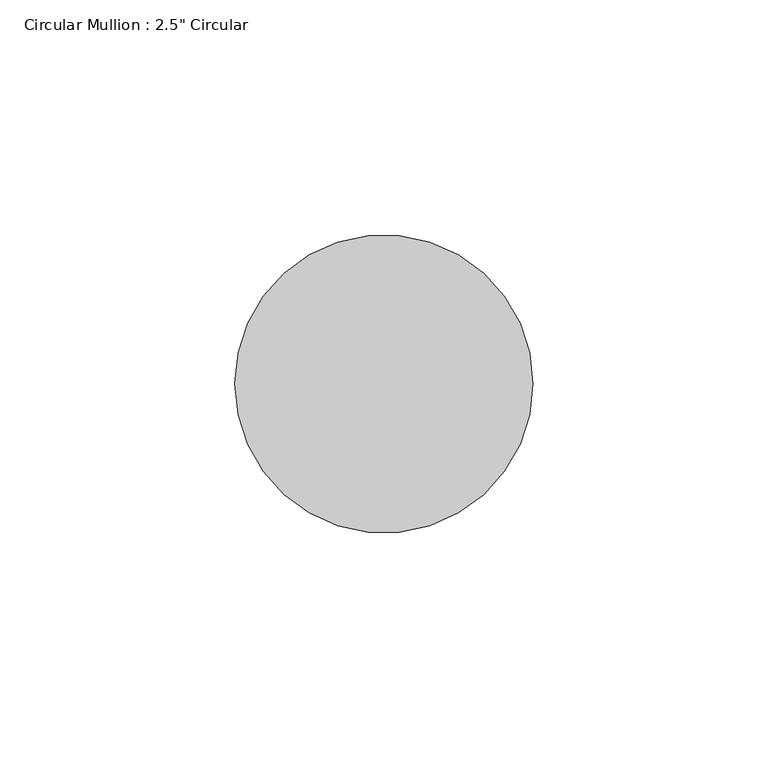
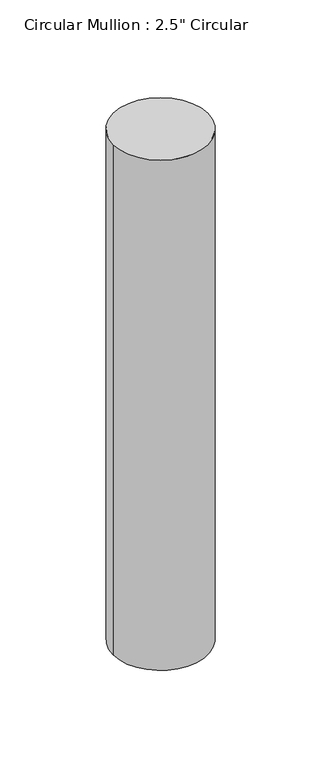
"""IFC4 building model written with IfcOpenShell, lengths in millimetres: member geometry."""

from ifc_helpers import new_model, si_unit, point, frame, frame_2d, origin, place, context, project, spatial, circle_curve, trimmed, segment, composite_curve, outline, extrude, source, transform, mapped, element, save


def member_77020905(model_context):
    return source(origin(), model_context, "Body", "SweptSolid", [
        extrude(outline(composite_curve([segment(trimmed(circle_curve(frame_2d((-31.75, 0.0)), 31.75), [point((0.0, 0.0))], [point((-63.5, 0.0))], False, "CARTESIAN"), True, "CONTINUOUS"), segment(trimmed(circle_curve(frame_2d((-31.75, 0.0)), 31.75), [point((-63.5, 0.0))], [point((0.0, 0.0))], False, "CARTESIAN"), True, "CONTINUOUS")], self_intersect=False)), frame((0.0, 0.0, -361.95), z_axis=(0.0, 0.0, 1.0), x_axis=(1.0, 0.0, 0.0)), (0.0, 0.0, 1.0), 361.95),
    ])


if __name__ == "__main__":
    model = new_model("IFC4")
    model_context = context("Model", 3, world=origin())
    ifc_project = project(units=[si_unit("LENGTHUNIT", "METRE", prefix="MILLI")], contexts=[model_context])
    site = spatial("IfcSite", under=ifc_project)
    building = spatial("IfcBuilding", under=site)
    placement = place(None, origin())
    member_shape = member_77020905(model_context)
    element("IfcMember", 1, ObjectType="Circular Mullion : 2.5\" Circular", at=placement, inside=building, context=model_context, shape_type="MappedRepresentation", body=[
        mapped(member_shape, transform((0.0, 0.0, 0.0), x_axis=(1.0, 0.0, 0.0), y_axis=(0.0, 1.0, 0.0), z_axis=(0.0, 0.0, 1.0))),
    ])
    save(model, "model.ifc")
